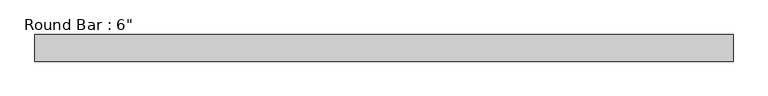
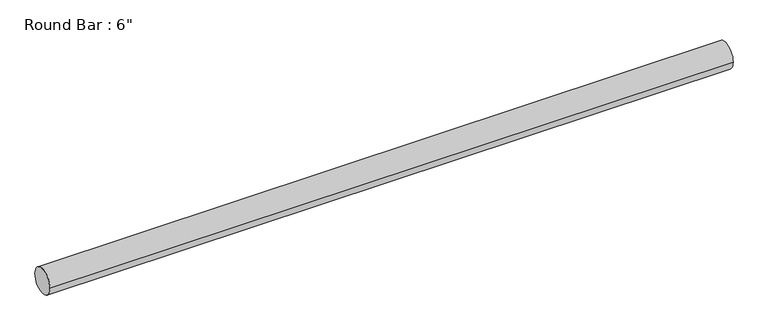
"""IFC4 building model written with IfcOpenShell, lengths in millimetres: beam geometry."""

from ifc_helpers import new_model, si_unit, point, frame, origin, origin_2d, place, context, project, spatial, circle_curve, trimmed, segment, composite_curve, outline, extrude, source, transform, mapped, element, save


def beam_35aa3819(model_context):
    return source(origin(), model_context, "Body", "SweptSolid", [
        extrude(outline(composite_curve([segment(trimmed(circle_curve(origin_2d(), 76.2), [point((-76.2, 0.0))], [point((76.2, 0.0))], False, "CARTESIAN"), True, "CONTINUOUS"), segment(trimmed(circle_curve(origin_2d(), 76.2), [point((76.2, 0.0))], [point((-76.2, 0.0))], False, "CARTESIAN"), True, "CONTINUOUS")], self_intersect=False)), frame((-2007.5896844, 0.0, 0.0), z_axis=(1.0, 0.0, 0.0), x_axis=(0.0, 1.0, 0.0)), (0.0, 0.0, 1.0), 3994.5321435),
    ])


if __name__ == "__main__":
    model = new_model("IFC4")
    model_context = context("Model", 3, world=origin())
    ifc_project = project(units=[si_unit("LENGTHUNIT", "METRE", prefix="MILLI")], contexts=[model_context])
    site = spatial("IfcSite", under=ifc_project)
    building = spatial("IfcBuilding", under=site)
    placement = place(None, origin())
    beam_shape = beam_35aa3819(model_context)
    element("IfcBeam", 1, ObjectType="Round Bar : 6\"", at=placement, inside=building, context=model_context, shape_type="MappedRepresentation", body=[
        mapped(beam_shape, transform((0.0, 0.0, 0.0), x_axis=(1.0, 0.0, 0.0), y_axis=(0.0, 1.0, 0.0), z_axis=(0.0, 0.0, 1.0))),
    ])
    save(model, "model.ifc")
